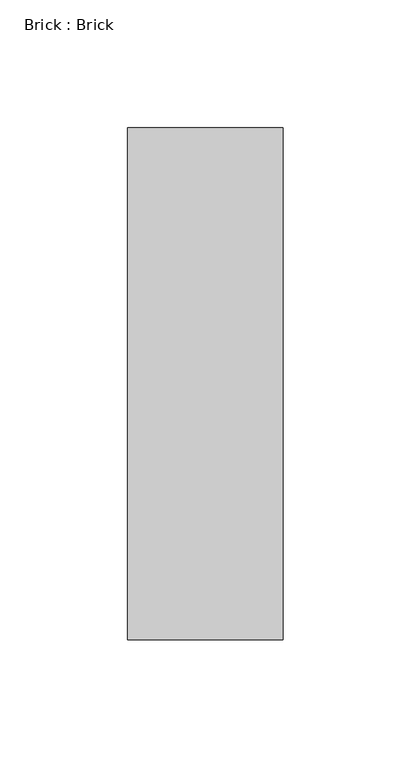
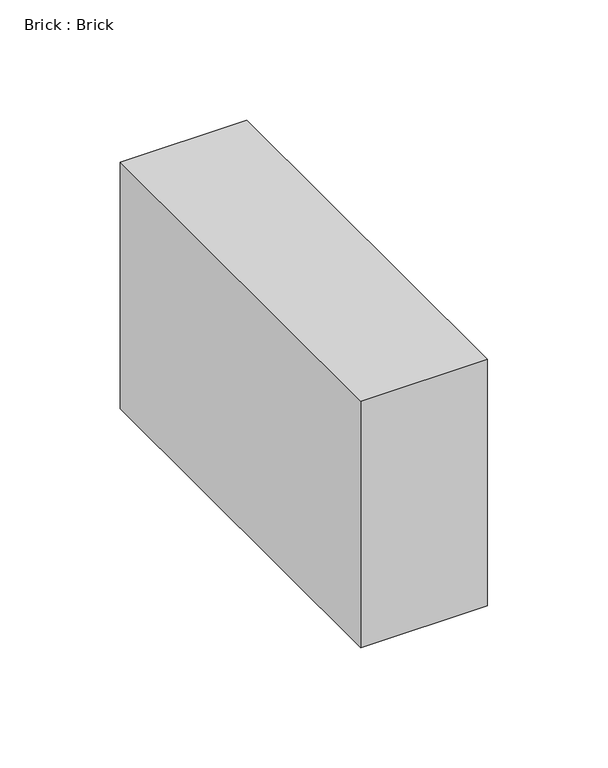
"""IFC4 building model written with IfcOpenShell, lengths in millimetres: proxy geometry, Brick : Brick."""

from ifc_helpers import new_model, si_unit, frame, origin, place, context, project, spatial, polyline, outline, extrude, source, transform, mapped, element, save


def brick_brick_13413490(model_context):
    return source(origin(), model_context, "Body", "SweptSolid", [
        extrude(outline(polyline([(30.35, 100.0), (30.35, -100.0), (-30.35, -100.0), (-30.35, 100.0), (30.35, 100.0)])), frame((0.0, 0.0, -62.5), z_axis=(0.0, 0.0, 1.0), x_axis=(1.0, 0.0, 0.0)), (0.0, 0.0, 1.0), 125.0),
    ])


if __name__ == "__main__":
    model = new_model("IFC4")
    model_context = context("Model", 3, world=origin())
    ifc_project = project(units=[si_unit("LENGTHUNIT", "METRE", prefix="MILLI")], contexts=[model_context])
    site = spatial("IfcSite", under=ifc_project)
    building = spatial("IfcBuilding", under=site)
    placement = place(None, origin())
    brick_brick_shape = brick_brick_13413490(model_context)
    element("IfcBuildingElementProxy", 1, Name="Brick : Brick", ObjectType="Brick : Brick", at=placement, inside=building, context=model_context, shape_type="MappedRepresentation", body=[
        mapped(brick_brick_shape, transform((0.0, 0.0, 0.0), x_axis=(1.0, 0.0, 0.0), y_axis=(0.0, 1.0, 0.0), z_axis=(0.0, 0.0, 1.0))),
    ])
    save(model, "model.ifc")
